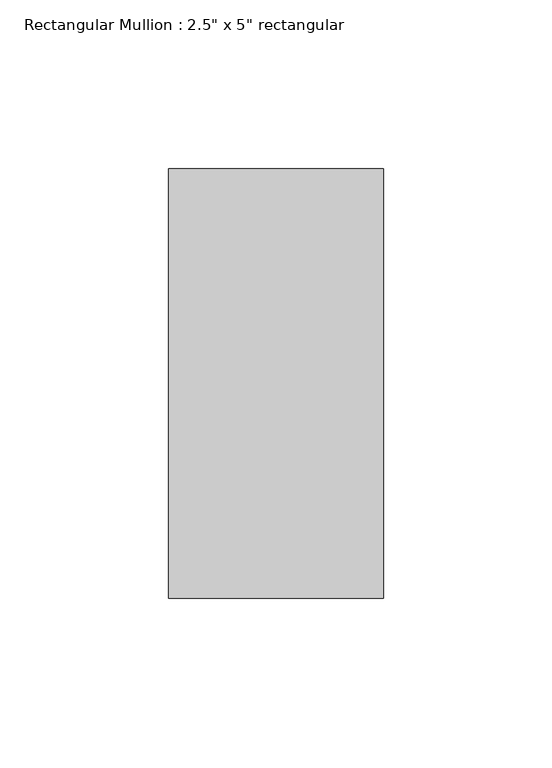
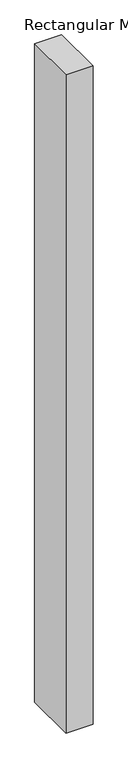
"""IFC4 building model written with IfcOpenShell, lengths in millimetres: member geometry."""

from ifc_helpers import new_model, si_unit, frame, origin, place, context, project, spatial, polyline, outline, extrude, source, transform, mapped, element, save


def member_84233ae4(model_context):
    return source(origin(), model_context, "Body", "SweptSolid", [
        extrude(outline(polyline([(0.0, 63.5), (0.0, -63.5), (-63.5, -63.5), (-63.5, 63.5), (0.0, 63.5)])), frame((0.0, 0.0, -1636.5), z_axis=(0.0, 0.0, 1.0), x_axis=(1.0, 0.0, 0.0)), (0.0, 0.0, 1.0), 1636.5),
    ])


if __name__ == "__main__":
    model = new_model("IFC4")
    model_context = context("Model", 3, world=origin())
    ifc_project = project(units=[si_unit("LENGTHUNIT", "METRE", prefix="MILLI")], contexts=[model_context])
    site = spatial("IfcSite", under=ifc_project)
    building = spatial("IfcBuilding", under=site)
    placement = place(None, origin())
    member_shape = member_84233ae4(model_context)
    element("IfcMember", 1, ObjectType="Rectangular Mullion : 2.5\" x 5\" rectangular", at=placement, inside=building, context=model_context, shape_type="MappedRepresentation", body=[
        mapped(member_shape, transform((0.0, 0.0, 0.0), x_axis=(1.0, 0.0, 0.0), y_axis=(0.0, 1.0, 0.0), z_axis=(0.0, 0.0, 1.0))),
    ])
    save(model, "model.ifc")
